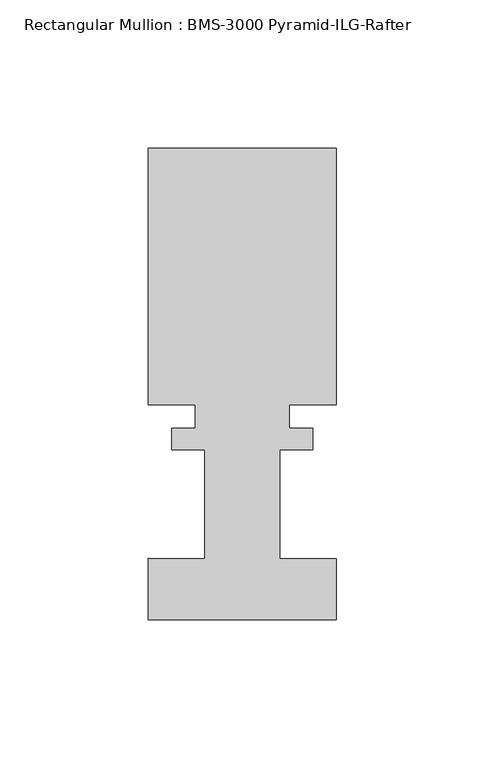
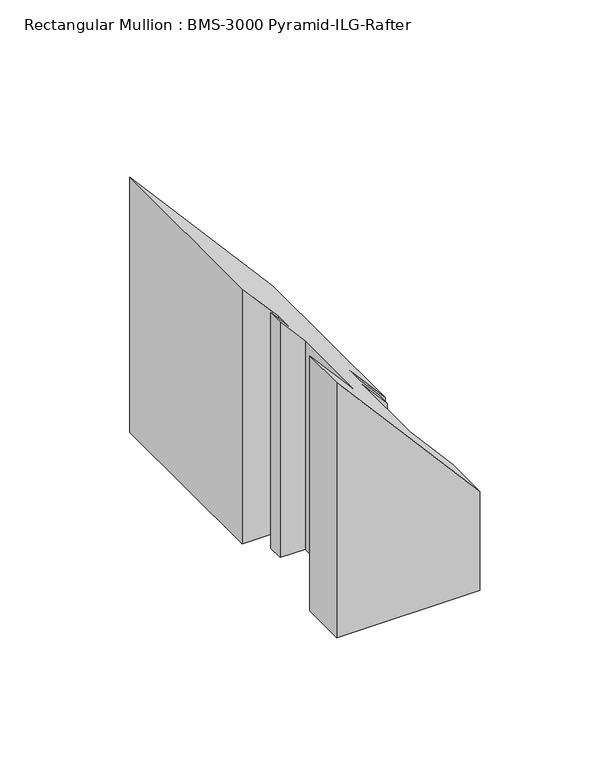
"""IFC4 building model written with IfcOpenShell, lengths in millimetres: member geometry, Rectangular Mullion : BMS-3000 Pyramid-ILG-Rafter."""

from ifc_helpers import new_model, si_unit, origin, place, context, project, spatial, faceted_brep, source, transform, mapped, element, save


def rectangular_mullion_bms_3000_pyramid_ilg_rafter_739910ca(model_context):
    return source(origin(), model_context, "Body", "Brep", [
        faceted_brep([(23.8252, 61.3362375, -224.8217928), (23.8252, 54.0742188, -224.8217928), (12.7, 54.0742187, -224.8217928), (12.7, 17.3180375, -224.8217928), (31.75, 17.2799375, -224.8217928), (31.75, -3.3575625, -224.8217928), (-31.75, -3.3575625, -224.8217928), (-31.75, 17.3180375, -224.8217928), (-12.7, 17.3180375, -224.8217928), (-12.7, 54.0742188, -224.8217928), (-23.8252, 54.0742187, -224.8217928), (-23.8252, 61.3362375, -224.8217928), (-15.875, 61.3362375, -224.8217928), (-15.875, 69.2356375, -224.8217928), (-31.75, 69.2356375, -224.8217928), (-31.75, 155.7734375, -224.8217928), (31.75, 155.7734375, -224.8217928), (31.75, 69.2356375, -224.8217928), (15.875, 69.2356375, -224.8217928), (15.875, 61.3362375, -224.8217928), (15.875, 61.3362375, -159.9748342), (23.8252, 61.3362375, -169.1549344), (15.875, 69.2356375, -159.9748342), (31.75, 69.2356375, -178.3057053), (31.75, 155.7734375, -178.3057053), (-31.75, 155.7734375, -104.9822211), (-31.75, 69.2356375, -104.9822211), (-15.875, 69.2356375, -123.3130921), (-15.875, 61.3362375, -123.3130921), (-23.8252, 61.3362375, -114.1329919), (-23.8252, 54.0742187, -114.1329919), (-12.7, 54.0742187, -126.9792663), (-12.7, 17.3180375, -126.9792663), (-31.75, 17.3180375, -104.9822211), (-31.75, -3.3575625, -104.9822211), (31.75, -3.3575625, -178.3057053), (31.75, 17.2799375, -178.3057053), (12.7, 17.3180375, -156.30866), (12.7, 54.0742187, -156.30866), (23.8252, 54.0742187, -169.1549344)], [[[0, 1, 2, 3, 4, 5, 6, 7, 8, 9, 10, 11, 12, 13, 14, 15, 16, 17, 18, 19]], [[20, 21, 0, 19]], [[22, 20, 19, 18]], [[23, 22, 18, 17]], [[24, 23, 17, 16]], [[25, 24, 16, 15]], [[26, 25, 15, 14]], [[27, 26, 14, 13]], [[28, 27, 13, 12]], [[29, 28, 12, 11]], [[30, 29, 11, 10]], [[31, 30, 10, 9]], [[32, 31, 9, 8]], [[33, 32, 8, 7]], [[34, 33, 7, 6]], [[35, 34, 6, 5]], [[36, 35, 5, 4]], [[37, 36, 4, 3]], [[38, 37, 3, 2]], [[39, 38, 2, 1]], [[21, 39, 1, 0]], [[21, 20, 22, 23, 24, 25, 26, 27, 28, 29, 30, 31, 32, 33, 34, 35, 36, 37, 38, 39]]]),
    ])


if __name__ == "__main__":
    model = new_model("IFC4")
    model_context = context("Model", 3, world=origin())
    ifc_project = project(units=[si_unit("LENGTHUNIT", "METRE", prefix="MILLI")], contexts=[model_context])
    site = spatial("IfcSite", under=ifc_project)
    building = spatial("IfcBuilding", under=site)
    placement = place(None, origin())
    rectangular_mullion_bms_3000_pyramid_ilg_rafter_shape = rectangular_mullion_bms_3000_pyramid_ilg_rafter_739910ca(model_context)
    element("IfcMember", 1, ObjectType="Rectangular Mullion : BMS-3000 Pyramid-ILG-Rafter", at=placement, inside=building, context=model_context, shape_type="MappedRepresentation", body=[
        mapped(rectangular_mullion_bms_3000_pyramid_ilg_rafter_shape, transform((0.0, 0.0, 0.0), x_axis=(1.0, 0.0, 0.0), y_axis=(0.0, 1.0, 0.0), z_axis=(0.0, 0.0, 1.0))),
    ])
    save(model, "model.ifc")
